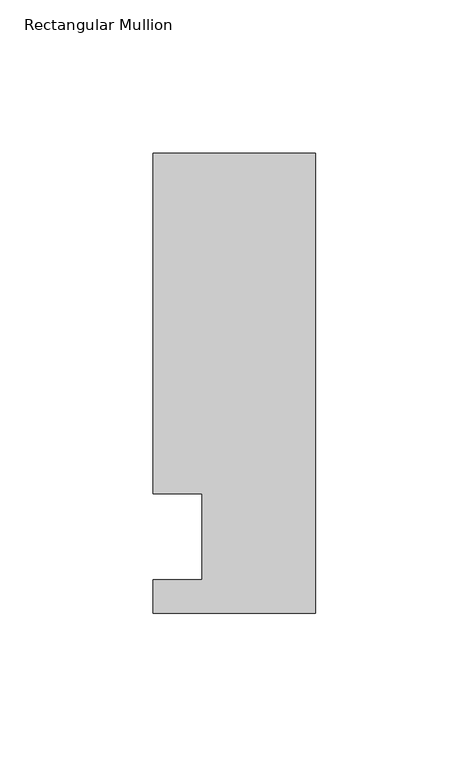
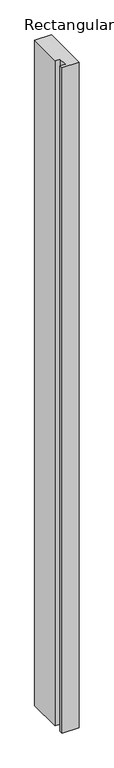
"""IFC4 building model written with IfcOpenShell, lengths in millimetres: member geometry, Rectangular Mullion."""

from ifc_helpers import new_model, si_unit, frame, origin, place, context, project, spatial, polyline, outline, extrude, source, transform, mapped, element, save


def rectangular_mullion_69423241(model_context):
    return source(origin(), model_context, "Body", "SweptSolid", [
        extrude(outline(polyline([(-37.0, 14.0), (-53.0, 14.0), (-53.0, 125.0), (0.0, 125.0), (0.0, -25.0), (-53.0, -25.0), (-53.0, -14.0), (-37.0, -14.0), (-37.0, 14.0)])), frame((0.0, 0.0, -2211.2021929), z_axis=(0.0, 0.0, 1.0), x_axis=(1.0, 0.0, 0.0)), (0.0, 0.0, 1.0), 2211.2021929),
    ])


if __name__ == "__main__":
    model = new_model("IFC4")
    model_context = context("Model", 3, world=origin())
    ifc_project = project(units=[si_unit("LENGTHUNIT", "METRE", prefix="MILLI")], contexts=[model_context])
    site = spatial("IfcSite", under=ifc_project)
    building = spatial("IfcBuilding", under=site)
    placement = place(None, origin())
    rectangular_mullion_shape = rectangular_mullion_69423241(model_context)
    element("IfcMember", 1, ObjectType="Rectangular Mullion", at=placement, inside=building, context=model_context, shape_type="MappedRepresentation", body=[
        mapped(rectangular_mullion_shape, transform((0.0, 0.0, 0.0), x_axis=(1.0, 0.0, 0.0), y_axis=(0.0, 1.0, 0.0), z_axis=(0.0, 0.0, 1.0))),
    ])
    save(model, "model.ifc")
